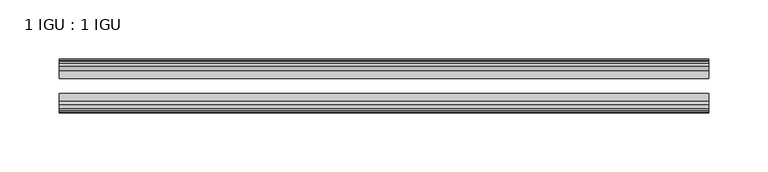
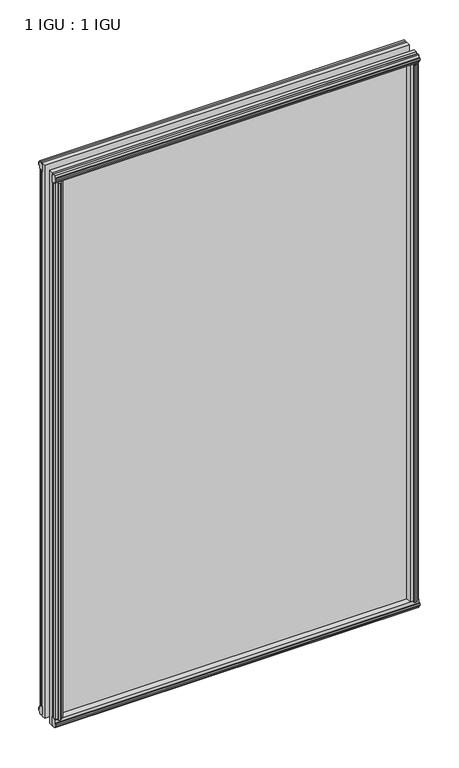
"""IFC4 building model written with IfcOpenShell, lengths in millimetres: plate geometry, 1 IGU : 1 IGU."""

from ifc_helpers import new_model, si_unit, frame, origin, origin_with_axes, place, context, project, spatial, polyline, outline, extrude, source, transform, mapped, element, save


def plate_1_igu_1_igu_b84eb1b6(model_context):
    return source(origin(), model_context, "Body", "SweptSolid", [
        extrude(outline(polyline([(258.7578803, -19.5460937), (260.8631573, -13.1960937), (266.0703517, -13.1960937), (266.4513517, -10.8158968), (265.0358227, -11.27583), (265.0358227, -10.4746158), (267.2133517, -9.7670937), (269.3908808, -10.4746158), (269.3908808, -11.27583), (267.9753517, -10.8158968), (268.3563517, -13.1960937), (272.8013517, -13.1960937), (272.8013517, -16.1419073), (270.5882743, -19.5460937), (258.7578803, -19.5460937)])), origin_with_axes(), (0.0, 0.0, 1.0), 850.9),
        extrude(outline(polyline([(-258.7578803, -19.5460937), (-270.5882743, -19.5460937), (-272.8013517, -16.1419073), (-272.8013517, -13.1960937), (-268.3563517, -13.1960937), (-267.9753517, -10.8158968), (-269.3908808, -11.27583), (-269.3908808, -10.4746158), (-267.2133517, -9.7670937), (-265.0358227, -10.4746158), (-265.0358227, -11.27583), (-266.4513517, -10.8158968), (-266.0703517, -13.1960937), (-260.8631573, -13.1960937), (-258.7578803, -19.5460937)])), origin_with_axes(), (0.0, 0.0, 1.0), 850.9),
        extrude(outline(polyline([(-16.1419073, -12.4576852), (-19.5460937, -10.2446077), (-19.5460937, 1.5857863), (-13.1960937, -0.5194908), (-13.1960937, -5.7266852), (-10.8158968, -6.1076852), (-11.27583, -4.6921562), (-10.4746158, -4.6921562), (-9.7670937, -6.8696852), (-10.4746158, -9.0472143), (-11.27583, -9.0472143), (-10.8158968, -7.6316852), (-13.1960937, -8.0126852), (-13.1960937, -12.4576852), (-16.1419073, -12.4576852)])), frame((-273.0436665, 0.0, 0.0), z_axis=(1.0, 0.0, 0.0), x_axis=(0.0, 1.0, 0.0)), (0.0, 0.0, 1.0), 546.087333),
        extrude(outline(polyline([(-48.3502802, -11.938), (-51.2960937, -11.938), (-51.2960937, -7.493), (-53.6762907, -7.112), (-53.2163575, -8.5275291), (-54.0175717, -8.5275291), (-54.7250937, -6.35), (-54.0175717, -4.172471), (-53.2163575, -4.172471), (-53.6762907, -5.588), (-51.2960937, -5.207), (-51.2960937, 0.0001944), (-44.9460937, 2.1054715), (-44.9460937, -9.7249225), (-48.3502802, -11.938)])), frame((-273.0436665, 0.0, 0.0), z_axis=(1.0, 0.0, 0.0), x_axis=(0.0, 1.0, 0.0)), (0.0, 0.0, 1.0), 546.087333),
        extrude(outline(polyline([(-16.1028367, 863.3576852), (-13.1960937, 863.3576852), (-13.1960937, 858.9126852), (-10.8158968, 858.5316852), (-11.27583, 859.9472143), (-10.4746158, 859.9472143), (-9.7670937, 857.7696852), (-10.4746158, 855.5921562), (-11.27583, 855.5921562), (-10.8158968, 857.0076852), (-13.1960937, 856.6266852), (-13.1960937, 851.3940908), (-19.5460937, 849.2888137), (-19.5460937, 861.1192077), (-16.1028367, 863.3576852)])), frame((-273.0436665, 0.0, 0.0), z_axis=(1.0, 0.0, 0.0), x_axis=(0.0, 1.0, 0.0)), (0.0, 0.0, 1.0), 546.087333),
        extrude(outline(polyline([(-48.3893508, 862.8126), (-44.9460937, 860.5741225), (-44.9460937, 848.7437285), (-51.2960937, 850.8490056), (-51.2960937, 856.0816), (-53.6762907, 856.4626), (-53.2163575, 855.047071), (-54.0175717, 855.047071), (-54.7250938, 857.2246), (-54.0175717, 859.4021291), (-53.2163575, 859.4021291), (-53.6762907, 857.9866), (-51.2960937, 858.3676), (-51.2960937, 862.8126), (-48.3893508, 862.8126)])), frame((-273.0436665, 0.0, 0.0), z_axis=(1.0, 0.0, 0.0), x_axis=(0.0, 1.0, 0.0)), (0.0, 0.0, 1.0), 546.087333),
        extrude(outline(polyline([(-258.238195, -44.9460938), (-260.3434721, -51.2960938), (-265.5506665, -51.2960938), (-265.9316665, -53.6762907), (-264.5161375, -53.2163575), (-264.5161375, -54.0175717), (-266.6936665, -54.7250938), (-268.8711956, -54.0175717), (-268.8711956, -53.2163575), (-267.4556665, -53.6762907), (-267.8366665, -51.2960938), (-272.2816665, -51.2960938), (-272.2816665, -48.3502802), (-270.068589, -44.9460938), (-258.238195, -44.9460938)])), origin_with_axes(), (0.0, 0.0, 1.0), 850.9),
        extrude(outline(polyline([(258.238195, -44.9460938), (270.068589, -44.9460938), (272.2816665, -48.3502802), (272.2816665, -51.2960938), (267.8366665, -51.2960938), (267.4556665, -53.6762907), (268.8711956, -53.2163575), (268.8711956, -54.0175717), (266.6936665, -54.7250938), (264.5161375, -54.0175717), (264.5161375, -53.2163575), (265.9316665, -53.6762907), (265.5506665, -51.2960938), (260.3434721, -51.2960938), (258.238195, -44.9460938)])), origin_with_axes(), (0.0, 0.0, 1.0), 850.9),
        extrude(outline(polyline([(273.0436665, -19.5460937), (273.0436665, -25.8337453), (-273.0436665, -25.8337453), (-273.0436665, -19.5460937), (273.0436665, -19.5460937)])), frame((0.0, 0.0, -12.7), z_axis=(0.0, 0.0, 1.0), x_axis=(1.0, 0.0, 0.0)), (0.0, 0.0, 1.0), 876.2872998),
        extrude(outline(polyline([(-273.0436665, -44.9460937), (-273.0436665, -38.6468938), (273.0436665, -38.6468938), (273.0436665, -44.9460937), (-273.0436665, -44.9460937)])), frame((0.0, 0.0, -12.7), z_axis=(0.0, 0.0, 1.0), x_axis=(1.0, 0.0, 0.0)), (0.0, 0.0, 1.0), 876.2872998),
    ])


if __name__ == "__main__":
    model = new_model("IFC4")
    model_context = context("Model", 3, world=origin())
    ifc_project = project(units=[si_unit("LENGTHUNIT", "METRE", prefix="MILLI")], contexts=[model_context])
    site = spatial("IfcSite", under=ifc_project)
    building = spatial("IfcBuilding", under=site)
    placement = place(None, origin())
    plate_1_igu_1_igu_shape = plate_1_igu_1_igu_b84eb1b6(model_context)
    element("IfcPlate", 1, ObjectType="1 IGU : 1 IGU", at=placement, inside=building, context=model_context, shape_type="MappedRepresentation", body=[
        mapped(plate_1_igu_1_igu_shape, transform((0.0, 0.0, 0.0), x_axis=(1.0, 0.0, 0.0), y_axis=(0.0, 1.0, 0.0), z_axis=(0.0, 0.0, 1.0))),
    ])
    save(model, "model.ifc")
